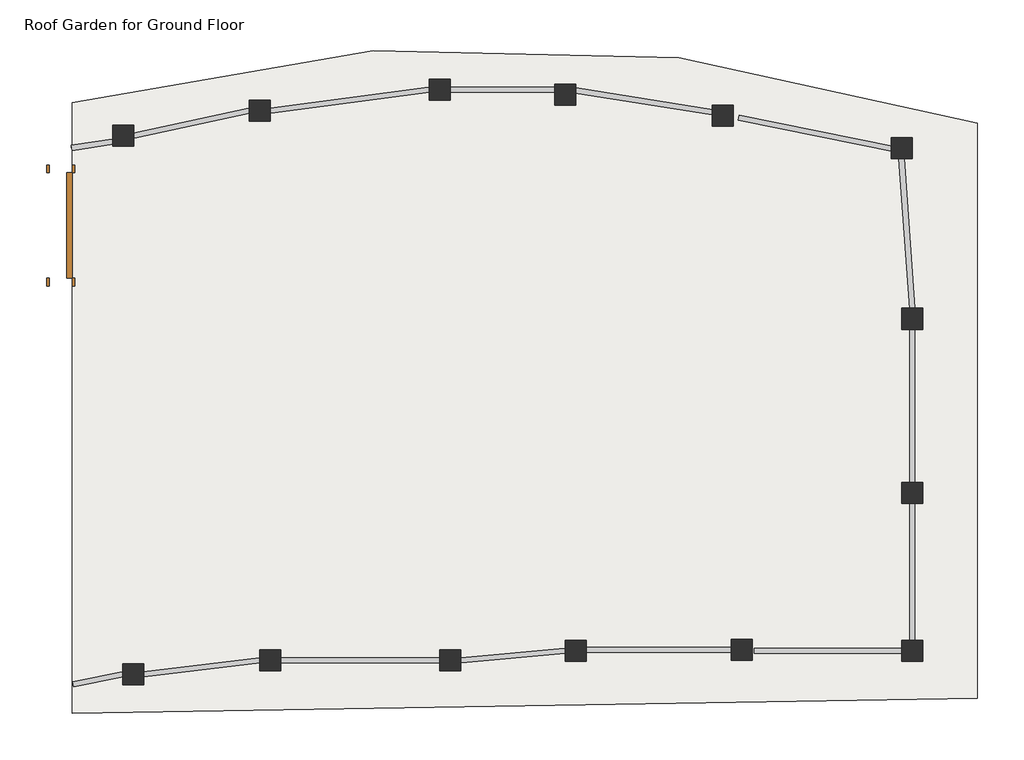
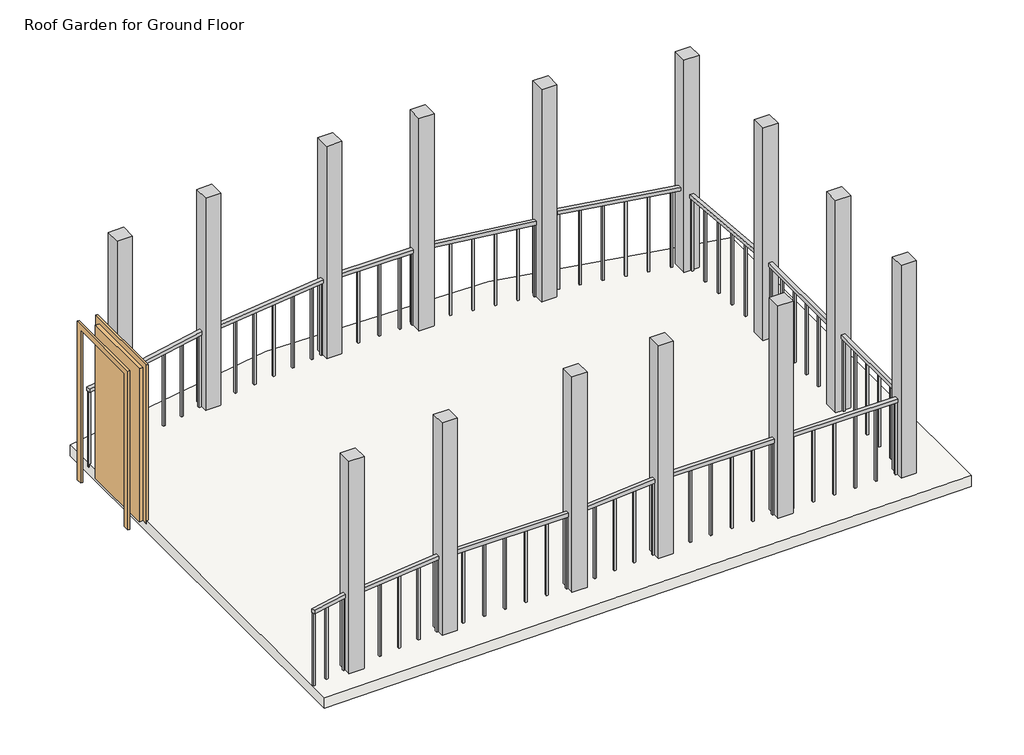
# One storey: 15 railings, 14 columns, 1 door, 1 slab.
"""IFC4 building model written with IfcOpenShell, lengths in millimetres."""

import ifcopenshell
import ifcopenshell.guid

model = None  # the IFC model being written
_history = None  # IfcOwnerHistory: only IFC2X3 demands one
_inside = {}  # id of a spatial element -> (the spatial element, [elements in it])
_under = {}  # id of a project, library or spatial element -> (it, [spatial elements below it])
_declared = {}  # id of a project -> (the project, [libraries it declares])
_typed = {}  # id of a type object -> (the type object, [elements of that type])
_made_of = {}  # id of a material, layer set ... -> (it, [elements and type objects made of it])


def new_model(schema):
    """Start an empty IFC model of exactly this schema.

    Asked for "IFC4X3", IfcOpenShell would pick the latest addendum, in which some entities
    have other attributes; the version numbers below select the first issue.
    IFC2X3 requires an IfcOwnerHistory on every rooted entity: one is made here for all.
    """
    global model, _history
    if schema == "IFC4X3":
        model = ifcopenshell.file(schema_version=(4, 3, 0, 0))
    else:
        model = ifcopenshell.file(schema=schema)
    _inside.clear()
    _under.clear()
    _declared.clear()
    _typed.clear()
    _made_of.clear()
    _history = None
    if model.schema == "IFC2X3":
        org = make("IfcOrganization", Name="unknown")
        user = make(
            "IfcPersonAndOrganization",
            ThePerson=make("IfcPerson", FamilyName="unknown"),
            TheOrganization=org,
        )
        app = make(
            "IfcApplication",
            ApplicationDeveloper=org,
            Version="unknown",
            ApplicationFullName="unknown",
            ApplicationIdentifier="unknown",
        )
        _history = make(
            "IfcOwnerHistory",
            OwningUser=user,
            OwningApplication=app,
            ChangeAction="ADDED",
            CreationDate=0,
        )
    return model


def make(cls, **values):
    """One entity of the class cls with the attributes given. An attribute that is None is left unset."""
    return model.create_entity(
        cls, **{name: value for name, value in values.items() if value is not None}
    )


def rooted(cls, **values):
    """An entity with a GlobalId (a new one), such as an element, a storey or a relation."""
    return make(cls, GlobalId=ifcopenshell.guid.new(), OwnerHistory=_history, **values)


def si_unit(unit_type, name, prefix=None):
    """IfcSIUnit, for example si_unit("LENGTHUNIT", "METRE", prefix="MILLI")."""
    return make("IfcSIUnit", UnitType=unit_type, Prefix=prefix, Name=name)


def assignment(units):
    """IfcUnitAssignment: the units of a project."""
    return None if units is None else make("IfcUnitAssignment", Units=units)


def point(xyz):
    """IfcCartesianPoint."""
    return None if xyz is None else make("IfcCartesianPoint", Coordinates=xyz)


def direction(xyz):
    """IfcDirection."""
    return None if xyz is None else make("IfcDirection", DirectionRatios=xyz)


def frame(location, z_axis=None, x_axis=None):
    """IfcAxis2Placement3D, a coordinate frame: its origin and axes. An axis left out is left unset."""
    return make(
        "IfcAxis2Placement3D",
        Location=point(location),
        Axis=direction(z_axis),
        RefDirection=direction(x_axis),
    )


def origin():
    """The frame at (0, 0, 0) with its axes left unset."""
    return frame((0.0, 0.0, 0.0))


def origin_with_axes():
    """The frame at (0, 0, 0) with the z axis (0, 0, 1) and the x axis (1, 0, 0) written out."""
    return frame((0.0, 0.0, 0.0), z_axis=(0.0, 0.0, 1.0), x_axis=(1.0, 0.0, 0.0))


def place(relative_to, where):
    """IfcLocalPlacement: puts the frame where relative to a parent placement (None: the world)."""
    return make(
        "IfcLocalPlacement", PlacementRelTo=relative_to, RelativePlacement=where
    )


def context(
    kind, dimensions, precision=None, world=None, true_north=None, identifier=None
):
    """IfcGeometricRepresentationContext, for example the 3D "Model" context."""
    return make(
        "IfcGeometricRepresentationContext",
        ContextIdentifier=identifier,
        ContextType=kind,
        CoordinateSpaceDimension=dimensions,
        Precision=precision,
        WorldCoordinateSystem=world,
        TrueNorth=true_north,
    )


def project(units=None, contexts=None):
    """IfcProject with its units and contexts."""
    return rooted(
        "IfcProject",
        Name="project",
        RepresentationContexts=contexts,
        UnitsInContext=assignment(units),
    )


def spatial(cls, under=None, at=None, **own):
    """A site, building, storey or space (cls), placed at a placement, below another one or the project."""
    s = rooted(cls, ObjectPlacement=at, **own)
    if under is not None:
        _under.setdefault(under.id(), (under, []))[1].append(s)
    return s


def polyline(points):
    """IfcPolyline through the points."""
    return make("IfcPolyline", Points=[point(p) for p in points])


def circle_curve(where, radius):
    """IfcCircle in the frame where."""
    return make("IfcCircle", Position=where, Radius=radius)


def outline(outer, holes=None, kind="AREA"):
    """IfcArbitraryClosedProfileDef: a profile drawn as a closed curve; with holes, ...WithVoids."""
    if holes is None:
        return make("IfcArbitraryClosedProfileDef", ProfileType=kind, OuterCurve=outer)
    return make(
        "IfcArbitraryProfileDefWithVoids",
        ProfileType=kind,
        OuterCurve=outer,
        InnerCurves=holes,
    )


def extrude(swept, where, along, depth):
    """IfcExtrudedAreaSolid: the profile swept, set in the frame where, extruded along a direction by depth."""
    return make(
        "IfcExtrudedAreaSolid",
        SweptArea=swept,
        Position=where,
        ExtrudedDirection=direction(along),
        Depth=depth,
    )


def shape(context_of_items, identifier, shape_type, items):
    """IfcShapeRepresentation: the items that make up one representation, for example the "Body"."""
    return make(
        "IfcShapeRepresentation",
        ContextOfItems=context_of_items,
        RepresentationIdentifier=identifier,
        RepresentationType=shape_type,
        Items=items,
    )


def source(mapping_origin, context_of_items, identifier, shape_type, items):
    """IfcRepresentationMap: a shape defined once, which mapped items show again and again."""
    return make(
        "IfcRepresentationMap",
        MappingOrigin=mapping_origin,
        MappedRepresentation=shape(context_of_items, identifier, shape_type, items),
    )


def transform(
    local_origin,
    x_axis=None,
    y_axis=None,
    z_axis=None,
    scale=None,
    scale2=None,
    scale3=None,
    uniform=True,
):
    """IfcCartesianTransformationOperator3D, or its non-uniform kind. x_axis, y_axis, z_axis: its Axis1, 2, 3."""
    if uniform:
        return make(
            "IfcCartesianTransformationOperator3D",
            Axis1=direction(x_axis),
            Axis2=direction(y_axis),
            LocalOrigin=point(local_origin),
            Scale=scale,
            Axis3=direction(z_axis),
        )
    return make(
        "IfcCartesianTransformationOperator3DnonUniform",
        Axis1=direction(x_axis),
        Axis2=direction(y_axis),
        LocalOrigin=point(local_origin),
        Scale=scale,
        Axis3=direction(z_axis),
        Scale2=scale2,
        Scale3=scale3,
    )


def mapped(mapping_source, mapping_target):
    """IfcMappedItem: shows the shape of a source again, moved by a transform."""
    return make(
        "IfcMappedItem", MappingSource=mapping_source, MappingTarget=mapping_target
    )


def made_of(thing, what):
    """Note that an element or type object is made of a material, layer set ...; save() writes the relation."""
    if what is not None:
        _made_of.setdefault(what.id(), (what, []))[1].append(thing)
    return thing


def element(
    cls,
    number,
    at=None,
    inside=None,
    cuts=None,
    type_object=None,
    material=None,
    context=None,
    identifier="Body",
    shape_type=None,
    held_by="IfcProductDefinitionShape",
    body=None,
    shapes=None,
    **own,
):
    """One element of the class cls, such as IfcWall. Its Tag is "e" and its number.

    at: its placement. inside: the storey or other place that contains it. cuts: it is an
    opening in that element (IfcRelVoidsElement). A single representation is given by context,
    identifier, shape_type and body (its items); several are given by shapes. held_by: the class
    of the entity that holds the representations. save() writes the other relations.
    """
    e = rooted(cls, Tag="e%d" % number, ObjectPlacement=at, **own)
    if body is not None:
        shapes = [shape(context, identifier, shape_type, body)]
    if shapes is not None:
        e.Representation = make(held_by, Representations=shapes)
    if inside is not None:
        _inside.setdefault(inside.id(), (inside, []))[1].append(e)
    if cuts is not None:
        rooted(
            "IfcRelVoidsElement", RelatingBuildingElement=cuts, RelatedOpeningElement=e
        )
    if type_object is not None:
        _typed.setdefault(type_object.id(), (type_object, []))[1].append(e)
    return made_of(e, material)


def aggregate(whole, parts):
    """IfcRelAggregates: a whole, such as a stair, and the parts it consists of."""
    return rooted("IfcRelAggregates", RelatingObject=whole, RelatedObjects=parts)


def save(model, path):
    """Write the relations noted so far, then the file.

    IfcRelAggregates (storeys below a building ...), IfcRelContainedInSpatialStructure (elements
    in a storey), IfcRelDefinesByType, IfcRelAssociatesMaterial and IfcRelDeclares: one each for
    every whole, place, type object, material and project.
    """
    for whole, parts in _under.values():
        aggregate(whole, parts)
    for where, things in _inside.values():
        rooted(
            "IfcRelContainedInSpatialStructure",
            RelatedElements=things,
            RelatingStructure=where,
        )
    for kind, things in _typed.values():
        rooted("IfcRelDefinesByType", RelatedObjects=things, RelatingType=kind)
    for what, things in _made_of.values():
        rooted("IfcRelAssociatesMaterial", RelatedObjects=things, RelatingMaterial=what)
    for by, libraries in _declared.values():
        rooted("IfcRelDeclares", RelatingContext=by, RelatedDefinitions=libraries)
    model.write(path)


def plane_surface(at):
    """IfcPlane: the flat surface through the origin of the frame at, square to its z axis."""
    return make("IfcPlane", Position=at)


def cylinder_surface(at, radius):
    """IfcCylindricalSurface: all points at the distance radius from the z axis of the frame at."""
    return make("IfcCylindricalSurface", Position=at, Radius=radius)


def revolved_surface(curve, axis_point, axis_direction):
    """IfcSurfaceOfRevolution: the curve turned about the line through axis_point along axis_direction."""
    return make(
        "IfcSurfaceOfRevolution",
        SweptCurve=make("IfcArbitraryOpenProfileDef", ProfileType="CURVE", Curve=curve),
        AxisPosition=make("IfcAxis1Placement", Location=point(axis_point), Axis=direction(axis_direction)),
    )


def advanced_brep(points, edges, surfaces, faces):
    """IfcAdvancedBrep: a solid bounded by faces that lie on surfaces and meet in shared edges.

    An edge is (start, end): straight between two places in points (the first is 0);
    or (start, end, curve); or (start, end, curve, False) where it runs against its curve.
    A face is (place in surfaces, loops), or (place, loops, False) where it looks against
    its surface's normal. A loop lists edges by number (the first is 1), with a minus sign
    where the edge is run from its end to its start. The first loop is the outer one.
    """
    corners = [point(p) for p in points]
    vertices = [make("IfcVertexPoint", VertexGeometry=c) for c in corners]
    made = []
    for start, end, *more in edges:
        made.append(
            make(
                "IfcEdgeCurve",
                EdgeStart=vertices[start],
                EdgeEnd=vertices[end],
                EdgeGeometry=more[0] if more else make("IfcPolyline", Points=[corners[start], corners[end]]),
                SameSense=more[1] if len(more) > 1 else True,
            )
        )
    hull = []
    for where, loops, *sense in faces:
        bounds = []
        for j, loop in enumerate(loops):
            ring = [make("IfcOrientedEdge", EdgeElement=made[abs(k) - 1], Orientation=k > 0) for k in loop]
            bounds.append(
                make(
                    "IfcFaceOuterBound" if j == 0 else "IfcFaceBound",
                    Bound=make("IfcEdgeLoop", EdgeList=ring),
                    Orientation=True,
                )
            )
        hull.append(make("IfcAdvancedFace", Bounds=bounds, FaceSurface=surfaces[where], SameSense=sense[0] if sense else True))
    return make("IfcAdvancedBrep", Outer=make("IfcClosedShell", CfsFaces=hull))


def roof_garden_column_200_x_200_mm_457_x_475mm_7eaf3c10(model_context):
    return source(origin(), model_context, "Body", "SweptSolid", [
        extrude(outline(polyline([(100.0, 100.0), (100.0, -100.0), (-100.0, -100.0), (-100.0, 100.0), (100.0, 100.0)])), frame((0.0, 0.0, 4000.0), z_axis=(0.0, 0.0, 1.0), x_axis=(1.0, 0.0, 0.0)), (0.0, 0.0, 1.0), 3000.0),
    ])


def roof_garden_column_200_x_200_mm_457_x_475mm_611c4a7e(model_context):
    return source(origin(), model_context, "Body", "SweptSolid", [
        extrude(outline(polyline([(100.0, 100.0), (100.0, -100.0), (-100.0, -100.0), (-100.0, 100.0), (100.0, 100.0)])), frame((0.0, 0.0, 4040.0), z_axis=(0.0, 0.0, 1.0), x_axis=(1.0, 0.0, 0.0)), (0.0, 0.0, 1.0), 3000.0),
    ])


def m_single_flush_0915_x_2134mm_1fa5162a(model_context):
    return source(origin(), model_context, "Body", "SweptSolid", [
        extrude(outline(polyline([(2210.0, -576.0), (0.0, -576.0), (0.0, -500.0), (2134.0, -500.0), (2134.0, 500.0), (0.0, 500.0), (0.0, 576.0), (2210.0, 576.0), (2210.0, -576.0)])), frame((0.0, -135.0, 0.0), z_axis=(0.0, 1.0, 0.0), x_axis=(0.0, 0.0, 1.0)), (0.0, 0.0, 1.0), 25.0),
        extrude(outline(polyline([(2210.0, 576.0), (2210.0, -576.0), (0.0, -576.0), (0.0, -500.0), (2134.0, -500.0), (2134.0, 500.0), (0.0, 500.0), (0.0, 576.0), (2210.0, 576.0)])), frame((0.0, 110.0, 0.0), z_axis=(0.0, 1.0, 0.0), x_axis=(0.0, 0.0, 1.0)), (0.0, 0.0, 1.0), 25.0),
        extrude(outline(polyline([(500.0, -59.0), (500.0, -110.0), (-500.0, -110.0), (-500.0, -59.0), (500.0, -59.0)])), origin_with_axes(), (0.0, 0.0, 1.0), 2134.0),
    ])


model = new_model("IFC4")

# Units and contexts
model_context = context("Model", 3, world=origin())
ifc_project = project(units=[si_unit("LENGTHUNIT", "METRE", prefix="MILLI")], contexts=[model_context])

# Site, building, storey
site = spatial("IfcSite", under=ifc_project)
building = spatial("IfcBuilding", under=site)
storey = spatial("IfcBuildingStorey", under=building, Name="Roof Garden for Ground Floor", Elevation=4000.0)

# Columns
placement = place(None, origin())
roof_garden_column_200_x_200_mm_457_x_475mm_shape = roof_garden_column_200_x_200_mm_457_x_475mm_7eaf3c10(model_context)
element("IfcColumn", 1, ObjectType="Roof Garden Column 200 x 200 mm : 457 x 475mm", at=placement, inside=storey, context=model_context, shape_type="MappedRepresentation", body=[
    mapped(roof_garden_column_200_x_200_mm_457_x_475mm_shape, transform((-2055.9206151, -134.5277063, 0.0), x_axis=(1.0, 0.0, 0.0), y_axis=(0.0, 1.0, 0.0), z_axis=(0.0, 0.0, 1.0))),
])
element("IfcColumn", 2, ObjectType="Roof Garden Column 200 x 200 mm : 457 x 475mm", at=placement, inside=storey, context=model_context, shape_type="MappedRepresentation", body=[
    mapped(roof_garden_column_200_x_200_mm_457_x_475mm_shape, transform((844.0793849, -43.0101681, 0.0), x_axis=(1.0, 0.0, 0.0), y_axis=(0.0, 1.0, 0.0), z_axis=(0.0, 0.0, 1.0))),
])
element("IfcColumn", 3, ObjectType="Roof Garden Column 200 x 200 mm : 457 x 475mm", at=placement, inside=storey, context=model_context, shape_type="MappedRepresentation", body=[
    mapped(roof_garden_column_200_x_200_mm_457_x_475mm_shape, transform((2424.8939236, -34.5277063, 0.0), x_axis=(1.0, 0.0, 0.0), y_axis=(0.0, 1.0, 0.0), z_axis=(0.0, 0.0, 1.0))),
])
element("IfcColumn", 4, ObjectType="Roof Garden Column 200 x 200 mm : 457 x 475mm", at=placement, inside=storey, context=model_context, shape_type="MappedRepresentation", body=[
    mapped(roof_garden_column_200_x_200_mm_457_x_475mm_shape, transform((4044.0793849, -43.0101681, 0.0), x_axis=(1.0, 0.0, 0.0), y_axis=(0.0, 1.0, 0.0), z_axis=(0.0, 0.0, 1.0))),
])
element("IfcColumn", 5, ObjectType="Roof Garden Column 200 x 200 mm : 457 x 475mm", at=placement, inside=storey, context=model_context, shape_type="MappedRepresentation", body=[
    mapped(roof_garden_column_200_x_200_mm_457_x_475mm_shape, transform((4044.0793849, 1456.9898319, 0.0), x_axis=(1.0, 0.0, 0.0), y_axis=(0.0, 1.0, 0.0), z_axis=(0.0, 0.0, 1.0))),
])
element("IfcColumn", 6, ObjectType="Roof Garden Column 200 x 200 mm : 457 x 475mm", at=placement, inside=storey, context=model_context, shape_type="MappedRepresentation", body=[
    mapped(roof_garden_column_200_x_200_mm_457_x_475mm_shape, transform((4044.0793849, 3114.4271907, 0.0), x_axis=(1.0, 0.0, 0.0), y_axis=(0.0, 1.0, 0.0), z_axis=(0.0, 0.0, 1.0))),
])
element("IfcColumn", 7, ObjectType="Roof Garden Column 200 x 200 mm : 457 x 475mm", at=placement, inside=storey, context=model_context, shape_type="MappedRepresentation", body=[
    mapped(roof_garden_column_200_x_200_mm_457_x_475mm_shape, transform((3943.1417339, 4739.4094486, 0.0), x_axis=(1.0, 0.0, 0.0), y_axis=(0.0, 1.0, 0.0), z_axis=(0.0, 0.0, 1.0))),
])
element("IfcColumn", 8, ObjectType="Roof Garden Column 200 x 200 mm : 457 x 475mm", at=placement, inside=storey, context=model_context, shape_type="MappedRepresentation", body=[
    mapped(roof_garden_column_200_x_200_mm_457_x_475mm_shape, transform((2244.0793849, 5044.683645, 0.0), x_axis=(1.0, 0.0, 0.0), y_axis=(0.0, 1.0, 0.0), z_axis=(0.0, 0.0, 1.0))),
])
element("IfcColumn", 9, ObjectType="Roof Garden Column 200 x 200 mm : 457 x 475mm", at=placement, inside=storey, context=model_context, shape_type="MappedRepresentation", body=[
    mapped(roof_garden_column_200_x_200_mm_457_x_475mm_shape, transform((744.0793849, 5244.683645, 0.0), x_axis=(1.0, 0.0, 0.0), y_axis=(0.0, 1.0, 0.0), z_axis=(0.0, 0.0, 1.0))),
])
element("IfcColumn", 10, ObjectType="Roof Garden Column 200 x 200 mm : 457 x 475mm", at=placement, inside=storey, context=model_context, shape_type="MappedRepresentation", body=[
    mapped(roof_garden_column_200_x_200_mm_457_x_475mm_shape, transform((-445.9206151, 5292.6867886, 0.0), x_axis=(1.0, 0.0, 0.0), y_axis=(0.0, 1.0, 0.0), z_axis=(0.0, 0.0, 1.0))),
])
element("IfcColumn", 11, ObjectType="Roof Garden Column 200 x 200 mm : 457 x 475mm", at=placement, inside=storey, context=model_context, shape_type="MappedRepresentation", body=[
    mapped(roof_garden_column_200_x_200_mm_457_x_475mm_shape, transform((-2155.9206151, 5092.6867886, 0.0), x_axis=(1.0, 0.0, 0.0), y_axis=(0.0, 1.0, 0.0), z_axis=(0.0, 0.0, 1.0))),
])
element("IfcColumn", 12, ObjectType="Roof Garden Column 200 x 200 mm : 457 x 475mm", at=placement, inside=storey, context=model_context, shape_type="MappedRepresentation", body=[
    mapped(roof_garden_column_200_x_200_mm_457_x_475mm_shape, transform((-3455.9206151, 4855.2472702, 0.0), x_axis=(1.0, 0.0, 0.0), y_axis=(0.0, 1.0, 0.0), z_axis=(0.0, 0.0, 1.0))),
])
element("IfcColumn", 13, ObjectType="Roof Garden Column 200 x 200 mm : 457 x 475mm", at=placement, inside=storey, context=model_context, shape_type="MappedRepresentation", body=[
    mapped(roof_garden_column_200_x_200_mm_457_x_475mm_shape, transform((-3361.1255398, -265.8539291, 0.0), x_axis=(1.0, 0.0, 0.0), y_axis=(0.0, 1.0, 0.0), z_axis=(0.0, 0.0, 1.0))),
])
roof_garden_column_200_x_200_mm_457_x_475mm_2_shape = roof_garden_column_200_x_200_mm_457_x_475mm_611c4a7e(model_context)
element("IfcColumn", 14, ObjectType="Roof Garden Column 200 x 200 mm : 457 x 475mm", at=placement, inside=storey, context=model_context, shape_type="MappedRepresentation", body=[
    mapped(roof_garden_column_200_x_200_mm_457_x_475mm_2_shape, transform((-345.9206151, -134.5277063, 0.0), x_axis=(1.0, 0.0, 0.0), y_axis=(0.0, 1.0, 0.0), z_axis=(0.0, 0.0, 1.0))),
])

# Door
m_single_flush_0915_x_2134mm_shape = m_single_flush_0915_x_2134mm_1fa5162a(model_context)
element("IfcDoor", 15, ObjectType="M_Single-Flush : 0915 x 2134mm", at=placement, inside=storey, context=model_context, shape_type="MappedRepresentation", body=[
    mapped(m_single_flush_0915_x_2134mm_shape, transform((-4049.2637028, 4002.1906151, 4000.0), x_axis=(0.0, 1.0, 0.0), y_axis=(-1.0, 0.0, 0.0), z_axis=(0.0, 0.0, 1.0))),
])

# Railings
element("IfcRailing", 16, ObjectType="1100mm", at=placement, inside=storey, context=model_context, shape_type="SweptSolid", body=[
    extrude(outline(polyline([(-3942.2082404, 4715.9235654), (-3949.6329899, 4765.3692233), (-3559.6329899, 4823.9315406), (-3552.2082404, 4774.4858827), (-3942.2082404, 4715.9235654)])), frame((0.0, 0.0, 5050.0), z_axis=(0.0, 0.0, 1.0), x_axis=(1.0, 0.0, 0.0)), (0.0, 0.0, 1.0), 50.0),
    extrude(outline(polyline([(-3684.4747233, 4767.2649148), (-3688.187098, 4791.9877438), (-3663.464269, 4795.7001186), (-3659.7518943, 4770.9772896), (-3684.4747233, 4767.2649148)])), frame((0.0, 0.0, 4000.0), z_axis=(0.0, 0.0, 1.0), x_axis=(1.0, 0.0, 0.0)), (0.0, 0.0, 1.0), 1050.0),
    extrude(outline(polyline([(-3578.7872567, 4783.1349224), (-3582.4996315, 4807.8577514), (-3557.7768025, 4811.5701261), (-3554.0644278, 4786.8472972), (-3578.7872567, 4783.1349224)])), frame((0.0, 0.0, 4000.0), z_axis=(0.0, 0.0, 1.0), x_axis=(1.0, 0.0, 0.0)), (0.0, 0.0, 1.0), 1050.0),
    extrude(outline(polyline([(-3944.0644277, 4728.2849799), (-3947.7768025, 4753.0078089), (-3923.0539735, 4756.7201836), (-3919.3415988, 4731.9973546), (-3944.0644277, 4728.2849799)])), frame((0.0, 0.0, 4000.0), z_axis=(0.0, 0.0, 1.0), x_axis=(1.0, 0.0, 0.0)), (0.0, 0.0, 1.0), 1050.0),
])
element("IfcRailing", 17, ObjectType="1100mm", at=placement, inside=storey, context=model_context, shape_type="SweptSolid", body=[
    extrude(outline(polyline([(-3350.6457493, 4830.8100897), (-3361.1954809, 4879.6844507), (-2261.1954809, 5117.1239691), (-2250.6457493, 5068.2496081), (-3350.6457493, 4830.8100897)])), frame((0.0, 0.0, 5050.0), z_axis=(0.0, 0.0, 1.0), x_axis=(1.0, 0.0, 0.0)), (0.0, 0.0, 1.0), 50.0),
    extrude(outline(polyline([(-2290.2658304, 5072.4853419), (-2295.5406962, 5096.9225224), (-2271.1035157, 5102.1973882), (-2265.8286499, 5077.7602076), (-2290.2658304, 5072.4853419)])), frame((0.0, 0.0, 4000.0), z_axis=(0.0, 0.0, 1.0), x_axis=(1.0, 0.0, 0.0)), (0.0, 0.0, 1.0), 1050.0),
    extrude(outline(polyline([(-2559.0748159, 5014.4618182), (-2564.3496817, 5038.8989987), (-2539.9125012, 5044.1738645), (-2534.6376354, 5019.736684), (-2559.0748159, 5014.4618182)])), frame((0.0, 0.0, 4000.0), z_axis=(0.0, 0.0, 1.0), x_axis=(1.0, 0.0, 0.0)), (0.0, 0.0, 1.0), 1050.0),
    extrude(outline(polyline([(-2827.8838014, 4956.4382945), (-2833.1586672, 4980.875475), (-2808.7214867, 4986.1503408), (-2803.4466209, 4961.7131603), (-2827.8838014, 4956.4382945)])), frame((0.0, 0.0, 4000.0), z_axis=(0.0, 0.0, 1.0), x_axis=(1.0, 0.0, 0.0)), (0.0, 0.0, 1.0), 1050.0),
    extrude(outline(polyline([(-3096.692787, 4898.4147708), (-3101.9676528, 4922.8519513), (-3077.5304723, 4928.1268171), (-3072.2556065, 4903.6896366), (-3096.692787, 4898.4147708)])), frame((0.0, 0.0, 4000.0), z_axis=(0.0, 0.0, 1.0), x_axis=(1.0, 0.0, 0.0)), (0.0, 0.0, 1.0), 1050.0),
    extrude(outline(polyline([(-2277.7203627, 5075.1933326), (-2282.9952285, 5099.6305131), (-2258.558048, 5104.9053789), (-2253.2831822, 5080.4681984), (-2277.7203627, 5075.1933326)])), frame((0.0, 0.0, 4000.0), z_axis=(0.0, 0.0, 1.0), x_axis=(1.0, 0.0, 0.0)), (0.0, 0.0, 1.0), 1050.0),
    extrude(outline(polyline([(-3353.2831822, 4843.02868), (-3358.558048, 4867.4658605), (-3334.1208675, 4872.7407263), (-3328.8460017, 4848.3035458), (-3353.2831822, 4843.02868)])), frame((0.0, 0.0, 4000.0), z_axis=(0.0, 0.0, 1.0), x_axis=(1.0, 0.0, 0.0)), (0.0, 0.0, 1.0), 1050.0),
])
element("IfcRailing", 18, ObjectType="1100mm", at=placement, inside=storey, context=model_context, shape_type="SweptSolid", body=[
    extrude(outline(polyline([(-2052.6380251, 5067.9032335), (-2059.2032052, 5117.4703437), (-549.2032052, 5317.4703437), (-542.6380251, 5267.9032335), (-2052.6380251, 5067.9032335)])), frame((0.0, 0.0, 5050.0), z_axis=(0.0, 0.0, 1.0), x_axis=(1.0, 0.0, 0.0)), (0.0, 0.0, 1.0), 50.0),
    extrude(outline(polyline([(-703.5755682, 5259.1961703), (-706.8581583, 5283.9797254), (-682.0746032, 5287.2623154), (-678.7920132, 5262.4787603), (-703.5755682, 5259.1961703)])), frame((0.0, 0.0, 4000.0), z_axis=(0.0, 0.0, 1.0), x_axis=(1.0, 0.0, 0.0)), (0.0, 0.0, 1.0), 1050.0),
    extrude(outline(polyline([(-976.1946741, 5223.0876794), (-979.4772642, 5247.8712345), (-954.6937091, 5251.1538246), (-951.411119, 5226.3702695), (-976.1946741, 5223.0876794)])), frame((0.0, 0.0, 4000.0), z_axis=(0.0, 0.0, 1.0), x_axis=(1.0, 0.0, 0.0)), (0.0, 0.0, 1.0), 1050.0),
    extrude(outline(polyline([(-1248.81378, 5186.9791886), (-1252.0963701, 5211.7627437), (-1227.312815, 5215.0453337), (-1224.0302249, 5190.2617787), (-1248.81378, 5186.9791886)])), frame((0.0, 0.0, 4000.0), z_axis=(0.0, 0.0, 1.0), x_axis=(1.0, 0.0, 0.0)), (0.0, 0.0, 1.0), 1050.0),
    extrude(outline(polyline([(-1521.4328859, 5150.8706977), (-1524.715476, 5175.6542528), (-1499.9319209, 5178.9368429), (-1496.6493308, 5154.1532878), (-1521.4328859, 5150.8706977)])), frame((0.0, 0.0, 4000.0), z_axis=(0.0, 0.0, 1.0), x_axis=(1.0, 0.0, 0.0)), (0.0, 0.0, 1.0), 1050.0),
    extrude(outline(polyline([(-1794.0519918, 5114.7622069), (-1797.3345818, 5139.545762), (-1772.5510268, 5142.828352), (-1769.2684367, 5118.044797), (-1794.0519918, 5114.7622069)])), frame((0.0, 0.0, 4000.0), z_axis=(0.0, 0.0, 1.0), x_axis=(1.0, 0.0, 0.0)), (0.0, 0.0, 1.0), 1050.0),
    extrude(outline(polyline([(-569.0628752, 5277.012421), (-572.3454652, 5301.7959761), (-547.5619102, 5305.0785662), (-544.2793201, 5280.2950111), (-569.0628752, 5277.012421)])), frame((0.0, 0.0, 4000.0), z_axis=(0.0, 0.0, 1.0), x_axis=(1.0, 0.0, 0.0)), (0.0, 0.0, 1.0), 1050.0),
    extrude(outline(polyline([(-2054.2793201, 5080.2950111), (-2057.5619102, 5105.0785662), (-2032.7783551, 5108.3611562), (-2029.495765, 5083.5776012), (-2054.2793201, 5080.2950111)])), frame((0.0, 0.0, 4000.0), z_axis=(0.0, 0.0, 1.0), x_axis=(1.0, 0.0, 0.0)), (0.0, 0.0, 1.0), 1050.0),
])
element("IfcRailing", 19, ObjectType="1100mm", at=placement, inside=storey, context=model_context, shape_type="SweptSolid", body=[
    extrude(outline(polyline([(-345.9206151, 5267.6867886), (-345.9206151, 5317.6867886), (654.0793849, 5317.6867886), (654.0793849, 5267.6867886), (-345.9206151, 5267.6867886)])), frame((0.0, 0.0, 5050.0), z_axis=(0.0, 0.0, 1.0), x_axis=(1.0, 0.0, 0.0)), (0.0, 0.0, 1.0), 50.0),
    extrude(outline(polyline([(466.5793849, 5280.1867886), (466.5793849, 5305.1867886), (491.5793849, 5305.1867886), (491.5793849, 5280.1867886), (466.5793849, 5280.1867886)])), frame((0.0, 0.0, 4000.0), z_axis=(0.0, 0.0, 1.0), x_axis=(1.0, 0.0, 0.0)), (0.0, 0.0, 1.0), 1050.0),
    extrude(outline(polyline([(191.5793849, 5280.1867886), (191.5793849, 5305.1867886), (216.5793849, 5305.1867886), (216.5793849, 5280.1867886), (191.5793849, 5280.1867886)])), frame((0.0, 0.0, 4000.0), z_axis=(0.0, 0.0, 1.0), x_axis=(1.0, 0.0, 0.0)), (0.0, 0.0, 1.0), 1050.0),
    extrude(outline(polyline([(-83.4206151, 5280.1867886), (-83.4206151, 5305.1867886), (-58.4206151, 5305.1867886), (-58.4206151, 5280.1867886), (-83.4206151, 5280.1867886)])), frame((0.0, 0.0, 4000.0), z_axis=(0.0, 0.0, 1.0), x_axis=(1.0, 0.0, 0.0)), (0.0, 0.0, 1.0), 1050.0),
    extrude(outline(polyline([(629.0793849, 5280.1867886), (629.0793849, 5305.1867886), (654.0793849, 5305.1867886), (654.0793849, 5280.1867886), (629.0793849, 5280.1867886)])), frame((0.0, 0.0, 4000.0), z_axis=(0.0, 0.0, 1.0), x_axis=(1.0, 0.0, 0.0)), (0.0, 0.0, 1.0), 1050.0),
    extrude(outline(polyline([(-345.9206151, 5280.1867886), (-345.9206151, 5305.1867886), (-320.9206151, 5305.1867886), (-320.9206151, 5280.1867886), (-345.9206151, 5280.1867886)])), frame((0.0, 0.0, 4000.0), z_axis=(0.0, 0.0, 1.0), x_axis=(1.0, 0.0, 0.0)), (0.0, 0.0, 1.0), 1050.0),
])
element("IfcRailing", 20, ObjectType="1100mm", at=placement, inside=storey, context=model_context, shape_type="SweptSolid", body=[
    extrude(outline(polyline([(840.1685232, 5260.7800852), (847.9902465, 5310.1645023), (2147.9902465, 5104.2647298), (2140.1685232, 5054.8803128), (840.1685232, 5260.7800852)])), frame((0.0, 0.0, 5050.0), z_axis=(0.0, 0.0, 1.0), x_axis=(1.0, 0.0, 0.0)), (0.0, 0.0, 1.0), 50.0),
    extrude(outline(polyline([(1916.2350245, 5103.0037088), (1920.1458861, 5127.6959173), (1944.8380946, 5123.7850556), (1940.927233, 5099.0928471), (1916.2350245, 5103.0037088)])), frame((0.0, 0.0, 4000.0), z_axis=(0.0, 0.0, 1.0), x_axis=(1.0, 0.0, 0.0)), (0.0, 0.0, 1.0), 1050.0),
    extrude(outline(polyline([(1644.6207308, 5146.0231866), (1648.5315924, 5170.7153952), (1673.2238009, 5166.8045335), (1669.3129393, 5142.112325), (1644.6207308, 5146.0231866)])), frame((0.0, 0.0, 4000.0), z_axis=(0.0, 0.0, 1.0), x_axis=(1.0, 0.0, 0.0)), (0.0, 0.0, 1.0), 1050.0),
    extrude(outline(polyline([(1373.0064371, 5189.0426645), (1376.9172988, 5213.734873), (1401.6095073, 5209.8240114), (1397.6986456, 5185.1318029), (1373.0064371, 5189.0426645)])), frame((0.0, 0.0, 4000.0), z_axis=(0.0, 0.0, 1.0), x_axis=(1.0, 0.0, 0.0)), (0.0, 0.0, 1.0), 1050.0),
    extrude(outline(polyline([(1101.3921435, 5232.0621424), (1105.3030051, 5256.7543509), (1129.9952136, 5252.8434893), (1126.084352, 5228.1512808), (1101.3921435, 5232.0621424)])), frame((0.0, 0.0, 4000.0), z_axis=(0.0, 0.0, 1.0), x_axis=(1.0, 0.0, 0.0)), (0.0, 0.0, 1.0), 1050.0),
    extrude(outline(polyline([(2117.4317455, 5071.1372787), (2121.3426072, 5095.8294872), (2146.0348157, 5091.9186256), (2142.1239541, 5067.2264171), (2117.4317455, 5071.1372787)])), frame((0.0, 0.0, 4000.0), z_axis=(0.0, 0.0, 1.0), x_axis=(1.0, 0.0, 0.0)), (0.0, 0.0, 1.0), 1050.0),
    extrude(outline(polyline([(842.1239541, 5273.1261895), (846.0348157, 5297.818398), (870.7270242, 5293.9075364), (866.8161626, 5269.2153279), (842.1239541, 5273.1261895)])), frame((0.0, 0.0, 4000.0), z_axis=(0.0, 0.0, 1.0), x_axis=(1.0, 0.0, 0.0)), (0.0, 0.0, 1.0), 1050.0),
])
element("IfcRailing", 21, ObjectType="1100mm", at=placement, inside=storey, context=model_context, shape_type="SweptSolid", body=[
    extrude(outline(polyline([(2391.4228564, 5004.1422745), (2401.400245, 5053.1366794), (3900.4625941, 4747.862483), (3890.4852055, 4698.8680781), (2391.4228564, 5004.1422745)])), frame((0.0, 0.0, 5137.1466448), z_axis=(0.0, 0.0, 1.0), x_axis=(1.0, 0.0, 0.0)), (0.0, 0.0, 1.0), 50.0),
    extrude(outline(polyline([(3729.0147385, 4744.5070362), (3734.0034328, 4769.0042387), (3758.5006353, 4764.0155444), (3753.511941, 4739.5183419), (3729.0147385, 4744.5070362)])), frame((0.0, 0.0, 4087.1466448), z_axis=(0.0, 0.0, 1.0), x_axis=(1.0, 0.0, 0.0)), (0.0, 0.0, 1.0), 1050.0),
    extrude(outline(polyline([(3459.5455112, 4799.3826736), (3464.5342056, 4823.879876), (3489.031408, 4818.8911817), (3484.0427137, 4794.3939793), (3459.5455112, 4799.3826736)])), frame((0.0, 0.0, 4087.1466448), z_axis=(0.0, 0.0, 1.0), x_axis=(1.0, 0.0, 0.0)), (0.0, 0.0, 1.0), 1050.0),
    extrude(outline(polyline([(3190.076284, 4854.2583109), (3195.0649783, 4878.7555134), (3219.5621808, 4873.7668191), (3214.5734865, 4849.2696166), (3190.076284, 4854.2583109)])), frame((0.0, 0.0, 4087.1466448), z_axis=(0.0, 0.0, 1.0), x_axis=(1.0, 0.0, 0.0)), (0.0, 0.0, 1.0), 1050.0),
    extrude(outline(polyline([(2920.6070568, 4909.1339482), (2925.5957511, 4933.6311507), (2950.0929536, 4928.6424564), (2945.1042592, 4904.1452539), (2920.6070568, 4909.1339482)])), frame((0.0, 0.0, 4087.1466448), z_axis=(0.0, 0.0, 1.0), x_axis=(1.0, 0.0, 0.0)), (0.0, 0.0, 1.0), 1050.0),
    extrude(outline(polyline([(2651.1378295, 4964.0095855), (2656.1265238, 4988.506788), (2680.6237263, 4983.5180937), (2675.635032, 4959.0208912), (2651.1378295, 4964.0095855)])), frame((0.0, 0.0, 4087.1466448), z_axis=(0.0, 0.0, 1.0), x_axis=(1.0, 0.0, 0.0)), (0.0, 0.0, 1.0), 1050.0),
    extrude(outline(polyline([(3868.4823501, 4716.1053736), (3873.4710444, 4740.6025761), (3897.9682469, 4735.6138818), (3892.9795526, 4711.1166793), (3868.4823501, 4716.1053736)])), frame((0.0, 0.0, 4087.1466448), z_axis=(0.0, 0.0, 1.0), x_axis=(1.0, 0.0, 0.0)), (0.0, 0.0, 1.0), 1050.0),
    extrude(outline(polyline([(2393.9172035, 5016.3908757), (2398.9058978, 5040.8880782), (2423.4031003, 5035.8993839), (2418.414406, 5011.4021814), (2393.9172035, 5016.3908757)])), frame((0.0, 0.0, 4087.1466448), z_axis=(0.0, 0.0, 1.0), x_axis=(1.0, 0.0, 0.0)), (0.0, 0.0, 1.0), 1050.0),
])
element("IfcRailing", 22, ObjectType="1100mm", at=placement, inside=storey, context=model_context, shape_type="SweptSolid", body=[
    extrude(outline(polyline([(3918.2042177, 4637.6430166), (3968.0792502, 4641.1758806), (4069.0169011, 3216.1936227), (4019.1418686, 3212.6607586), (3918.2042177, 4637.6430166)])), frame((0.0, 0.0, 5050.0), z_axis=(0.0, 0.0, 1.0), x_axis=(1.0, 0.0, 0.0)), (0.0, 0.0, 1.0), 50.0),
    extrude(outline(polyline([(4026.9435218, 3279.4315957), (4051.8810381, 3281.1980278), (4053.6474701, 3256.2605115), (4028.7099539, 3254.4940794), (4026.9435218, 3279.4315957)])), frame((0.0, 0.0, 4000.0), z_axis=(0.0, 0.0, 1.0), x_axis=(1.0, 0.0, 0.0)), (0.0, 0.0, 1.0), 1050.0),
    extrude(outline(polyline([(4007.5127694, 3553.7442747), (4032.4502857, 3555.5107068), (4034.2167177, 3530.5731905), (4009.2792015, 3528.8067584), (4007.5127694, 3553.7442747)])), frame((0.0, 0.0, 4000.0), z_axis=(0.0, 0.0, 1.0), x_axis=(1.0, 0.0, 0.0)), (0.0, 0.0, 1.0), 1050.0),
    extrude(outline(polyline([(3988.082017, 3828.0569537), (4013.0195333, 3829.8233858), (4014.7859653, 3804.8858695), (3989.848449, 3803.1194374), (3988.082017, 3828.0569537)])), frame((0.0, 0.0, 4000.0), z_axis=(0.0, 0.0, 1.0), x_axis=(1.0, 0.0, 0.0)), (0.0, 0.0, 1.0), 1050.0),
    extrude(outline(polyline([(3968.6512646, 4102.3696327), (3993.5887809, 4104.1360648), (3995.3552129, 4079.1985485), (3970.4176966, 4077.4321165), (3968.6512646, 4102.3696327)])), frame((0.0, 0.0, 4000.0), z_axis=(0.0, 0.0, 1.0), x_axis=(1.0, 0.0, 0.0)), (0.0, 0.0, 1.0), 1050.0),
    extrude(outline(polyline([(3949.2205122, 4376.6823117), (3974.1580285, 4378.4487438), (3975.9244605, 4353.5112275), (3950.9869442, 4351.7447955), (3949.2205122, 4376.6823117)])), frame((0.0, 0.0, 4000.0), z_axis=(0.0, 0.0, 1.0), x_axis=(1.0, 0.0, 0.0)), (0.0, 0.0, 1.0), 1050.0),
    extrude(outline(polyline([(4029.8441947, 3238.4814909), (4054.781711, 3240.247923), (4056.548143, 3215.3104067), (4031.6106267, 3213.5439747), (4029.8441947, 3238.4814909)])), frame((0.0, 0.0, 4000.0), z_axis=(0.0, 0.0, 1.0), x_axis=(1.0, 0.0, 0.0)), (0.0, 0.0, 1.0), 1050.0),
    extrude(outline(polyline([(3930.6729758, 4638.5262326), (3955.6104921, 4640.2926646), (3957.3769241, 4615.3551484), (3932.4394078, 4613.5887163), (3930.6729758, 4638.5262326)])), frame((0.0, 0.0, 4000.0), z_axis=(0.0, 0.0, 1.0), x_axis=(1.0, 0.0, 0.0)), (0.0, 0.0, 1.0), 1050.0),
])
element("IfcRailing", 23, ObjectType="1100mm", at=placement, inside=storey, context=model_context, shape_type="SweptSolid", body=[
    extrude(outline(polyline([(4019.0793849, 3014.4271907), (4069.0793849, 3014.4271907), (4069.0793849, 1556.9898319), (4019.0793849, 1556.9898319), (4019.0793849, 3014.4271907)])), frame((0.0, 0.0, 5050.0), z_axis=(0.0, 0.0, 1.0), x_axis=(1.0, 0.0, 0.0)), (0.0, 0.0, 1.0), 50.0),
    extrude(outline(polyline([(4031.5793849, 1651.9271907), (4056.5793849, 1651.9271907), (4056.5793849, 1626.9271907), (4031.5793849, 1626.9271907), (4031.5793849, 1651.9271907)])), frame((0.0, 0.0, 4000.0), z_axis=(0.0, 0.0, 1.0), x_axis=(1.0, 0.0, 0.0)), (0.0, 0.0, 1.0), 1050.0),
    extrude(outline(polyline([(4031.5793849, 1926.9271907), (4056.5793849, 1926.9271907), (4056.5793849, 1901.9271907), (4031.5793849, 1901.9271907), (4031.5793849, 1926.9271907)])), frame((0.0, 0.0, 4000.0), z_axis=(0.0, 0.0, 1.0), x_axis=(1.0, 0.0, 0.0)), (0.0, 0.0, 1.0), 1050.0),
    extrude(outline(polyline([(4031.5793849, 2201.9271907), (4056.5793849, 2201.9271907), (4056.5793849, 2176.9271907), (4031.5793849, 2176.9271907), (4031.5793849, 2201.9271907)])), frame((0.0, 0.0, 4000.0), z_axis=(0.0, 0.0, 1.0), x_axis=(1.0, 0.0, 0.0)), (0.0, 0.0, 1.0), 1050.0),
    extrude(outline(polyline([(4031.5793849, 2476.9271907), (4056.5793849, 2476.9271907), (4056.5793849, 2451.9271907), (4031.5793849, 2451.9271907), (4031.5793849, 2476.9271907)])), frame((0.0, 0.0, 4000.0), z_axis=(0.0, 0.0, 1.0), x_axis=(1.0, 0.0, 0.0)), (0.0, 0.0, 1.0), 1050.0),
    extrude(outline(polyline([(4031.5793849, 2751.9271907), (4056.5793849, 2751.9271907), (4056.5793849, 2726.9271907), (4031.5793849, 2726.9271907), (4031.5793849, 2751.9271907)])), frame((0.0, 0.0, 4000.0), z_axis=(0.0, 0.0, 1.0), x_axis=(1.0, 0.0, 0.0)), (0.0, 0.0, 1.0), 1050.0),
    extrude(outline(polyline([(4031.5793849, 1581.9898319), (4056.5793849, 1581.9898319), (4056.5793849, 1556.9898319), (4031.5793849, 1556.9898319), (4031.5793849, 1581.9898319)])), frame((0.0, 0.0, 4000.0), z_axis=(0.0, 0.0, 1.0), x_axis=(1.0, 0.0, 0.0)), (0.0, 0.0, 1.0), 1050.0),
    extrude(outline(polyline([(4031.5793849, 3014.4271907), (4056.5793849, 3014.4271907), (4056.5793849, 2989.4271907), (4031.5793849, 2989.4271907), (4031.5793849, 3014.4271907)])), frame((0.0, 0.0, 4000.0), z_axis=(0.0, 0.0, 1.0), x_axis=(1.0, 0.0, 0.0)), (0.0, 0.0, 1.0), 1050.0),
])
element("IfcRailing", 24, ObjectType="1100mm", at=placement, inside=storey, context=model_context, shape_type="SweptSolid", body=[
    extrude(outline(polyline([(4019.0793849, 1356.9898319), (4069.0793849, 1356.9898319), (4069.0793849, 56.9898319), (4019.0793849, 56.9898319), (4019.0793849, 1356.9898319)])), frame((0.0, 0.0, 5050.0), z_axis=(0.0, 0.0, 1.0), x_axis=(1.0, 0.0, 0.0)), (0.0, 0.0, 1.0), 50.0),
    extrude(outline(polyline([(4031.5793849, 269.4898319), (4056.5793849, 269.4898319), (4056.5793849, 244.4898319), (4031.5793849, 244.4898319), (4031.5793849, 269.4898319)])), frame((0.0, 0.0, 4000.0), z_axis=(0.0, 0.0, 1.0), x_axis=(1.0, 0.0, 0.0)), (0.0, 0.0, 1.0), 1050.0),
    extrude(outline(polyline([(4031.5793849, 544.4898319), (4056.5793849, 544.4898319), (4056.5793849, 519.4898319), (4031.5793849, 519.4898319), (4031.5793849, 544.4898319)])), frame((0.0, 0.0, 4000.0), z_axis=(0.0, 0.0, 1.0), x_axis=(1.0, 0.0, 0.0)), (0.0, 0.0, 1.0), 1050.0),
    extrude(outline(polyline([(4031.5793849, 819.4898319), (4056.5793849, 819.4898319), (4056.5793849, 794.4898319), (4031.5793849, 794.4898319), (4031.5793849, 819.4898319)])), frame((0.0, 0.0, 4000.0), z_axis=(0.0, 0.0, 1.0), x_axis=(1.0, 0.0, 0.0)), (0.0, 0.0, 1.0), 1050.0),
    extrude(outline(polyline([(4031.5793849, 1094.4898319), (4056.5793849, 1094.4898319), (4056.5793849, 1069.4898319), (4031.5793849, 1069.4898319), (4031.5793849, 1094.4898319)])), frame((0.0, 0.0, 4000.0), z_axis=(0.0, 0.0, 1.0), x_axis=(1.0, 0.0, 0.0)), (0.0, 0.0, 1.0), 1050.0),
    extrude(outline(polyline([(4031.5793849, 81.9898319), (4056.5793849, 81.9898319), (4056.5793849, 56.9898319), (4031.5793849, 56.9898319), (4031.5793849, 81.9898319)])), frame((0.0, 0.0, 4000.0), z_axis=(0.0, 0.0, 1.0), x_axis=(1.0, 0.0, 0.0)), (0.0, 0.0, 1.0), 1050.0),
    extrude(outline(polyline([(4031.5793849, 1356.9898319), (4056.5793849, 1356.9898319), (4056.5793849, 1331.9898319), (4031.5793849, 1331.9898319), (4031.5793849, 1356.9898319)])), frame((0.0, 0.0, 4000.0), z_axis=(0.0, 0.0, 1.0), x_axis=(1.0, 0.0, 0.0)), (0.0, 0.0, 1.0), 1050.0),
])
element("IfcRailing", 25, ObjectType="1100mm", at=placement, inside=storey, context=model_context, shape_type="SweptSolid", body=[
    extrude(outline(polyline([(3944.0793849, -18.0101681), (3944.0793849, -68.0101681), (2544.0793849, -68.0101681), (2544.0793849, -18.0101681), (3944.0793849, -18.0101681)])), frame((0.0, 0.0, 5050.0), z_axis=(0.0, 0.0, 1.0), x_axis=(1.0, 0.0, 0.0)), (0.0, 0.0, 1.0), 50.0),
    extrude(outline(polyline([(2581.5793849, -30.5101681), (2581.5793849, -55.5101681), (2556.5793849, -55.5101681), (2556.5793849, -30.5101681), (2581.5793849, -30.5101681)])), frame((0.0, 0.0, 4000.0), z_axis=(0.0, 0.0, 1.0), x_axis=(1.0, 0.0, 0.0)), (0.0, 0.0, 1.0), 1050.0),
    extrude(outline(polyline([(2856.5793849, -30.5101681), (2856.5793849, -55.5101681), (2831.5793849, -55.5101681), (2831.5793849, -30.5101681), (2856.5793849, -30.5101681)])), frame((0.0, 0.0, 4000.0), z_axis=(0.0, 0.0, 1.0), x_axis=(1.0, 0.0, 0.0)), (0.0, 0.0, 1.0), 1050.0),
    extrude(outline(polyline([(3131.5793849, -30.5101681), (3131.5793849, -55.5101681), (3106.5793849, -55.5101681), (3106.5793849, -30.5101681), (3131.5793849, -30.5101681)])), frame((0.0, 0.0, 4000.0), z_axis=(0.0, 0.0, 1.0), x_axis=(1.0, 0.0, 0.0)), (0.0, 0.0, 1.0), 1050.0),
    extrude(outline(polyline([(3406.5793849, -30.5101681), (3406.5793849, -55.5101681), (3381.5793849, -55.5101681), (3381.5793849, -30.5101681), (3406.5793849, -30.5101681)])), frame((0.0, 0.0, 4000.0), z_axis=(0.0, 0.0, 1.0), x_axis=(1.0, 0.0, 0.0)), (0.0, 0.0, 1.0), 1050.0),
    extrude(outline(polyline([(3681.5793849, -30.5101681), (3681.5793849, -55.5101681), (3656.5793849, -55.5101681), (3656.5793849, -30.5101681), (3681.5793849, -30.5101681)])), frame((0.0, 0.0, 4000.0), z_axis=(0.0, 0.0, 1.0), x_axis=(1.0, 0.0, 0.0)), (0.0, 0.0, 1.0), 1050.0),
    extrude(outline(polyline([(2569.0793849, -30.5101681), (2569.0793849, -55.5101681), (2544.0793849, -55.5101681), (2544.0793849, -30.5101681), (2569.0793849, -30.5101681)])), frame((0.0, 0.0, 4000.0), z_axis=(0.0, 0.0, 1.0), x_axis=(1.0, 0.0, 0.0)), (0.0, 0.0, 1.0), 1050.0),
    extrude(outline(polyline([(3944.0793849, -30.5101681), (3944.0793849, -55.5101681), (3919.0793849, -55.5101681), (3919.0793849, -30.5101681), (3944.0793849, -30.5101681)])), frame((0.0, 0.0, 4000.0), z_axis=(0.0, 0.0, 1.0), x_axis=(1.0, 0.0, 0.0)), (0.0, 0.0, 1.0), 1050.0),
])
element("IfcRailing", 26, ObjectType="1100mm", at=placement, inside=storey, context=model_context, shape_type="SweptSolid", body=[
    extrude(outline(polyline([(2324.8939236, -9.5277063), (2324.8939236, -59.5277063), (944.8939236, -59.5277063), (944.8939236, -9.5277063), (2324.8939236, -9.5277063)])), frame((0.0, 0.0, 5050.0), z_axis=(0.0, 0.0, 1.0), x_axis=(1.0, 0.0, 0.0)), (0.0, 0.0, 1.0), 50.0),
    extrude(outline(polyline([(962.3939236, -22.0277063), (962.3939236, -47.0277063), (937.3939236, -47.0277063), (937.3939236, -22.0277063), (962.3939236, -22.0277063)])), frame((0.0, 0.0, 4000.0), z_axis=(0.0, 0.0, 1.0), x_axis=(1.0, 0.0, 0.0)), (0.0, 0.0, 1.0), 1050.0),
    extrude(outline(polyline([(1237.3939236, -22.0277063), (1237.3939236, -47.0277063), (1212.3939236, -47.0277063), (1212.3939236, -22.0277063), (1237.3939236, -22.0277063)])), frame((0.0, 0.0, 4000.0), z_axis=(0.0, 0.0, 1.0), x_axis=(1.0, 0.0, 0.0)), (0.0, 0.0, 1.0), 1050.0),
    extrude(outline(polyline([(1512.3939236, -22.0277063), (1512.3939236, -47.0277063), (1487.3939236, -47.0277063), (1487.3939236, -22.0277063), (1512.3939236, -22.0277063)])), frame((0.0, 0.0, 4000.0), z_axis=(0.0, 0.0, 1.0), x_axis=(1.0, 0.0, 0.0)), (0.0, 0.0, 1.0), 1050.0),
    extrude(outline(polyline([(1787.3939236, -22.0277063), (1787.3939236, -47.0277063), (1762.3939236, -47.0277063), (1762.3939236, -22.0277063), (1787.3939236, -22.0277063)])), frame((0.0, 0.0, 4000.0), z_axis=(0.0, 0.0, 1.0), x_axis=(1.0, 0.0, 0.0)), (0.0, 0.0, 1.0), 1050.0),
    extrude(outline(polyline([(2062.3939236, -22.0277063), (2062.3939236, -47.0277063), (2037.3939236, -47.0277063), (2037.3939236, -22.0277063), (2062.3939236, -22.0277063)])), frame((0.0, 0.0, 4000.0), z_axis=(0.0, 0.0, 1.0), x_axis=(1.0, 0.0, 0.0)), (0.0, 0.0, 1.0), 1050.0),
    extrude(outline(polyline([(969.8939236, -22.0277063), (969.8939236, -47.0277063), (944.8939236, -47.0277063), (944.8939236, -22.0277063), (969.8939236, -22.0277063)])), frame((0.0, 0.0, 4000.0), z_axis=(0.0, 0.0, 1.0), x_axis=(1.0, 0.0, 0.0)), (0.0, 0.0, 1.0), 1050.0),
    extrude(outline(polyline([(2324.8939236, -22.0277063), (2324.8939236, -47.0277063), (2299.8939236, -47.0277063), (2299.8939236, -22.0277063), (2324.8939236, -22.0277063)])), frame((0.0, 0.0, 4000.0), z_axis=(0.0, 0.0, 1.0), x_axis=(1.0, 0.0, 0.0)), (0.0, 0.0, 1.0), 1050.0),
])
element("IfcRailing", 27, ObjectType="1100mm", at=placement, inside=storey, context=model_context, shape_type="SweptSolid", body=[
    extrude(outline(polyline([(741.7781476, -18.1163073), (746.3806221, -67.9040289), (-243.6193779, -159.4215671), (-248.2218524, -109.6338454), (741.7781476, -18.1163073)])), frame((0.0, 0.0, 5050.0), z_axis=(0.0, 0.0, 1.0), x_axis=(1.0, 0.0, 0.0)), (0.0, 0.0, 1.0), 50.0),
    extrude(outline(polyline([(-66.1217108, -105.3534477), (-63.8204736, -130.2473085), (-88.7143344, -132.5485458), (-91.0155717, -107.6546849), (-66.1217108, -105.3534477)])), frame((0.0, 0.0, 4000.0), z_axis=(0.0, 0.0, 1.0), x_axis=(1.0, 0.0, 0.0)), (0.0, 0.0, 1.0), 1050.0),
    extrude(outline(polyline([(207.7107583, -80.0398382), (210.0119956, -104.933699), (185.1181347, -107.2349362), (182.8168975, -82.3410754), (207.7107583, -80.0398382)])), frame((0.0, 0.0, 4000.0), z_axis=(0.0, 0.0, 1.0), x_axis=(1.0, 0.0, 0.0)), (0.0, 0.0, 1.0), 1050.0),
    extrude(outline(polyline([(481.5432275, -54.7262286), (483.8444647, -79.6200895), (458.9506039, -81.9213267), (456.6493667, -57.0274658), (481.5432275, -54.7262286)])), frame((0.0, 0.0, 4000.0), z_axis=(0.0, 0.0, 1.0), x_axis=(1.0, 0.0, 0.0)), (0.0, 0.0, 1.0), 1050.0),
    extrude(outline(polyline([(-222.1773729, -119.7795386), (-219.8761357, -144.6733994), (-244.7699965, -146.9746367), (-247.0712337, -122.0807758), (-222.1773729, -119.7795386)])), frame((0.0, 0.0, 4000.0), z_axis=(0.0, 0.0, 1.0), x_axis=(1.0, 0.0, 0.0)), (0.0, 0.0, 1.0), 1050.0),
    extrude(outline(polyline([(742.9287663, -30.5632377), (745.2300035, -55.4570985), (720.3361427, -57.7583358), (718.0349054, -32.8644749), (742.9287663, -30.5632377)])), frame((0.0, 0.0, 4000.0), z_axis=(0.0, 0.0, 1.0), x_axis=(1.0, 0.0, 0.0)), (0.0, 0.0, 1.0), 1050.0),
])
element("IfcRailing", 28, ObjectType="1100mm", at=placement, inside=storey, context=model_context, shape_type="SweptSolid", body=[
    extrude(outline(polyline([(-445.9206151, -109.5277063), (-445.9206151, -159.5277063), (-1955.9206151, -159.5277063), (-1955.9206151, -109.5277063), (-445.9206151, -109.5277063)])), frame((0.0, 0.0, 5050.0), z_axis=(0.0, 0.0, 1.0), x_axis=(1.0, 0.0, 0.0)), (0.0, 0.0, 1.0), 50.0),
    extrude(outline(polyline([(-1808.4206151, -122.0277063), (-1808.4206151, -147.0277063), (-1833.4206151, -147.0277063), (-1833.4206151, -122.0277063), (-1808.4206151, -122.0277063)])), frame((0.0, 0.0, 4000.0), z_axis=(0.0, 0.0, 1.0), x_axis=(1.0, 0.0, 0.0)), (0.0, 0.0, 1.0), 1050.0),
    extrude(outline(polyline([(-1533.4206151, -122.0277063), (-1533.4206151, -147.0277063), (-1558.4206151, -147.0277063), (-1558.4206151, -122.0277063), (-1533.4206151, -122.0277063)])), frame((0.0, 0.0, 4000.0), z_axis=(0.0, 0.0, 1.0), x_axis=(1.0, 0.0, 0.0)), (0.0, 0.0, 1.0), 1050.0),
    extrude(outline(polyline([(-1258.4206151, -122.0277063), (-1258.4206151, -147.0277063), (-1283.4206151, -147.0277063), (-1283.4206151, -122.0277063), (-1258.4206151, -122.0277063)])), frame((0.0, 0.0, 4000.0), z_axis=(0.0, 0.0, 1.0), x_axis=(1.0, 0.0, 0.0)), (0.0, 0.0, 1.0), 1050.0),
    extrude(outline(polyline([(-983.4206151, -122.0277063), (-983.4206151, -147.0277063), (-1008.4206151, -147.0277063), (-1008.4206151, -122.0277063), (-983.4206151, -122.0277063)])), frame((0.0, 0.0, 4000.0), z_axis=(0.0, 0.0, 1.0), x_axis=(1.0, 0.0, 0.0)), (0.0, 0.0, 1.0), 1050.0),
    extrude(outline(polyline([(-708.4206151, -122.0277063), (-708.4206151, -147.0277063), (-733.4206151, -147.0277063), (-733.4206151, -122.0277063), (-708.4206151, -122.0277063)])), frame((0.0, 0.0, 4000.0), z_axis=(0.0, 0.0, 1.0), x_axis=(1.0, 0.0, 0.0)), (0.0, 0.0, 1.0), 1050.0),
    extrude(outline(polyline([(-1930.9206151, -122.0277063), (-1930.9206151, -147.0277063), (-1955.9206151, -147.0277063), (-1955.9206151, -122.0277063), (-1930.9206151, -122.0277063)])), frame((0.0, 0.0, 4000.0), z_axis=(0.0, 0.0, 1.0), x_axis=(1.0, 0.0, 0.0)), (0.0, 0.0, 1.0), 1050.0),
    extrude(outline(polyline([(-445.9206151, -122.0277063), (-445.9206151, -147.0277063), (-470.9206151, -147.0277063), (-470.9206151, -122.0277063), (-445.9206151, -122.0277063)])), frame((0.0, 0.0, 4000.0), z_axis=(0.0, 0.0, 1.0), x_axis=(1.0, 0.0, 0.0)), (0.0, 0.0, 1.0), 1050.0),
])
element("IfcRailing", 29, ObjectType="1100mm", at=placement, inside=storey, context=model_context, shape_type="SweptSolid", body=[
    extrude(outline(polyline([(-2158.8704934, -109.7023519), (-2152.9707368, -159.3530606), (-3258.1756615, -290.6792835), (-3264.0754181, -241.0285748), (-2158.8704934, -109.7023519)])), frame((0.0, 0.0, 5050.0), z_axis=(0.0, 0.0, 1.0), x_axis=(1.0, 0.0, 0.0)), (0.0, 0.0, 1.0), 50.0),
    extrude(outline(polyline([(-3237.298468, -250.4347348), (-3234.3485897, -275.2600892), (-3259.1739441, -278.2099675), (-3262.1238224, -253.3846131), (-3237.298468, -250.4347348)])), frame((0.0, 0.0, 4000.0), z_axis=(0.0, 0.0, 1.0), x_axis=(1.0, 0.0, 0.0)), (0.0, 0.0, 1.0), 1050.0),
    extrude(outline(polyline([(-2964.2195703, -217.9860736), (-2961.269692, -242.8114279), (-2986.0950463, -245.7613062), (-2989.0449246, -220.9359519), (-2964.2195703, -217.9860736)])), frame((0.0, 0.0, 4000.0), z_axis=(0.0, 0.0, 1.0), x_axis=(1.0, 0.0, 0.0)), (0.0, 0.0, 1.0), 1050.0),
    extrude(outline(polyline([(-2691.1406726, -185.5374124), (-2688.1907943, -210.3627667), (-2713.0161486, -213.312645), (-2715.9660269, -188.4872907), (-2691.1406726, -185.5374124)])), frame((0.0, 0.0, 4000.0), z_axis=(0.0, 0.0, 1.0), x_axis=(1.0, 0.0, 0.0)), (0.0, 0.0, 1.0), 1050.0),
    extrude(outline(polyline([(-2418.0617748, -153.0887512), (-2415.1118965, -177.9141055), (-2439.9372509, -180.8639838), (-2442.8871292, -156.0386295), (-2418.0617748, -153.0887512)])), frame((0.0, 0.0, 4000.0), z_axis=(0.0, 0.0, 1.0), x_axis=(1.0, 0.0, 0.0)), (0.0, 0.0, 1.0), 1050.0),
    extrude(outline(polyline([(-3237.7751246, -250.4913737), (-3234.8252463, -275.316728), (-3259.6506006, -278.2666063), (-3262.6004789, -253.4412519), (-3237.7751246, -250.4913737)])), frame((0.0, 0.0, 4000.0), z_axis=(0.0, 0.0, 1.0), x_axis=(1.0, 0.0, 0.0)), (0.0, 0.0, 1.0), 1050.0),
    extrude(outline(polyline([(-2157.3955543, -122.1150291), (-2154.445676, -146.9403834), (-2179.2710303, -149.8902617), (-2182.2209086, -125.0649074), (-2157.3955543, -122.1150291)])), frame((0.0, 0.0, 4000.0), z_axis=(0.0, 0.0, 1.0), x_axis=(1.0, 0.0, 0.0)), (0.0, 0.0, 1.0), 1050.0),
])
element("IfcRailing", 30, ObjectType="1100mm", at=placement, inside=storey, context=model_context, shape_type="SweptSolid", body=[
    extrude(outline(polyline([(-3466.2209582, -241.3787026), (-3456.0301213, -290.3291556), (-3925.9544696, -388.1611898), (-3936.1453065, -339.2107369), (-3466.2209582, -241.3787026)])), frame((0.0, 0.0, 5050.0), z_axis=(0.0, 0.0, 1.0), x_axis=(1.0, 0.0, 0.0)), (0.0, 0.0, 1.0), 50.0),
    extrude(outline(polyline([(-3720.6631269, -307.1182096), (-3715.5677085, -331.5934361), (-3740.042935, -336.6888545), (-3745.1383534, -312.2136281), (-3720.6631269, -307.1182096)])), frame((0.0, 0.0, 4000.0), z_axis=(0.0, 0.0, 1.0), x_axis=(1.0, 0.0, 0.0)), (0.0, 0.0, 1.0), 1050.0),
    extrude(outline(polyline([(-3909.1223708, -346.3529317), (-3904.0269523, -370.8281582), (-3928.5021788, -375.9235766), (-3933.5975972, -351.4483501), (-3909.1223708, -346.3529317)])), frame((0.0, 0.0, 4000.0), z_axis=(0.0, 0.0, 1.0), x_axis=(1.0, 0.0, 0.0)), (0.0, 0.0, 1.0), 1050.0),
    extrude(outline(polyline([(-3463.673249, -253.6163159), (-3458.5778305, -278.0915424), (-3483.053057, -283.1869608), (-3488.1484755, -258.7117343), (-3463.673249, -253.6163159)])), frame((0.0, 0.0, 4000.0), z_axis=(0.0, 0.0, 1.0), x_axis=(1.0, 0.0, 0.0)), (0.0, 0.0, 1.0), 1050.0),
])

# Slab
element("IfcSlab", 31, ObjectType="Generic 150mm", at=placement, inside=storey, context=model_context, shape_type="AdvancedBrep", body=[
    advanced_brep(
    [(4664.0793849, 4975.4234577, 3890.0), (4664.0793849, -495.6057476, 3890.0), (4444.0672549, -477.5442573, 3890.0), (-3939.2637028, -635.440245, 3890.0), (-3939.2637028, 5168.3514846, 3890.0), (4444.05784, 5044.6900054, 3890.0), (4664.0793849, 4975.4234577, 4040.0), (-3939.2637028, 5168.3514846, 4040.0), (-3939.2637028, -635.440245, 4040.0), (4664.0793849, -495.6057476, 4040.0)],
    [
        (0, 1),
        (1, 2, circle_curve(frame((1054.0793849, -43120.7415271, 3890.0), z_axis=(0.0, 0.0, 1.0), x_axis=(1.0, 0.0, 0.0)), 42777.731359)),
        (2, 3, circle_curve(frame((1054.0793849, -43120.7415271, 3890.0), z_axis=(0.0, 0.0, 1.0), x_axis=(1.0, 0.0, 0.0)), 42777.7312529)),
        (3, 4),
        (4, 5, circle_curve(frame((39.4404187, -9330.3721996, 3890.0), z_axis=(0.0, 0.0, -1.0), x_axis=(1.0, 0.0, 0.0)), 15034.7289619)),
        (5, 0, circle_curve(frame((39.4404187, -9330.3721996, 3890.0), z_axis=(0.0, 0.0, -1.0), x_axis=(1.0, 0.0, 0.0)), 15034.7287314)),
        (6, 7, circle_curve(frame((39.4404187, -9330.3721996, 4040.0), z_axis=(0.0, 0.0, 1.0), x_axis=(1.0, 0.0, 0.0)), 15034.7289619)),
        (7, 8),
        (8, 9, circle_curve(frame((1054.0793849, -43120.7415271, 4040.0), z_axis=(0.0, 0.0, -1.0), x_axis=(1.0, 0.0, 0.0)), 42777.731359)),
        (9, 6),
        (0, 6),
        (9, 1),
        (8, 3),
        (7, 4),
    ],
    [
        plane_surface(frame((4664.0793849, 4975.4234577, 3890.0), z_axis=(0.0, 0.0, -1.0), x_axis=(0.0, -1.0, 0.0))),
        plane_surface(frame((4664.0793849, 4975.4234577, 4040.0), z_axis=(0.0, 0.0, 1.0), x_axis=(0.0, 1.0, 0.0))),
        plane_surface(frame((4664.0793849, 4975.4234577, 3890.0), z_axis=(1.0, 0.0, 0.0), x_axis=(0.0, 0.0, 1.0))),
        revolved_surface(polyline([(43831.810743899994, -43120.7415271, 4040.0), (43831.810743899994, -43120.7415271, 3890.0)]), (1054.0793849, -43120.7415271, 4040.0), (0.0, 0.0, 1.0)),
        plane_surface(frame((-3939.2637028, -635.440245, 3890.0), z_axis=(-1.0, 0.0, 0.0), x_axis=(0.0, 0.0, 1.0))),
        cylinder_surface(frame((39.4404187, -9330.3721996, 4040.0), z_axis=(0.0, 0.0, -1.0), x_axis=(1.0, 0.0, 0.0)), 15034.7289619),
    ],
    [
        (0, [[1, 2, 3, 4, 5, 6]]),
        (1, [[7, 8, 9, 10]]),
        (2, [[-1, 11, -10, 12]]),
        (3, [[-3, -2, -12, -9, 13]]),
        (4, [[-4, -13, -8, 14]]),
        (5, [[-6, -5, -14, -7, -11]]),
    ],
),
])

save(model, "model.ifc")
